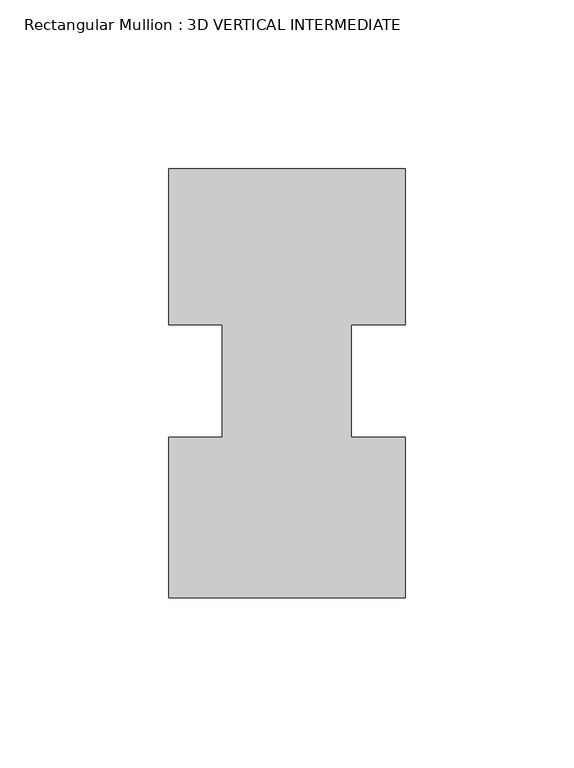
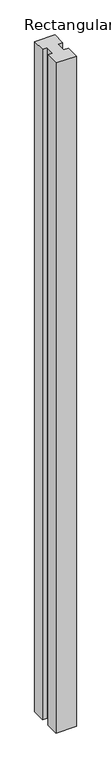
"""IFC4 building model written with IfcOpenShell, lengths in millimetres: member geometry, Rectangular Mullion : 3D VERTICAL INTERMEDIATE."""

from ifc_helpers import new_model, si_unit, frame, origin, place, context, project, spatial, polyline, outline, extrude, source, transform, mapped, element, save


def rectangular_mullion_3d_vertical_intermediate_6db6813a(model_context):
    return source(origin(), model_context, "Body", "SweptSolid", [
        extrude(outline(polyline([(35.0173164, 62.8615883), (35.0173164, 16.6786782), (19.1423164, 16.6786782), (19.1423164, -16.6786782), (35.0173157, -16.6786782), (35.0173157, -64.1384117), (-34.925, -64.1384117), (-34.925, -16.6786782), (-19.05, -16.6786782), (-19.05, 16.6786782), (-34.925, 16.6786782), (-34.925, 62.8615883), (35.0173164, 62.8615883)])), frame((0.0, 0.0, -2438.4), z_axis=(0.0, 0.0, 1.0), x_axis=(1.0, 0.0, 0.0)), (0.0, 0.0, 1.0), 2438.4),
    ])


if __name__ == "__main__":
    model = new_model("IFC4")
    model_context = context("Model", 3, world=origin())
    ifc_project = project(units=[si_unit("LENGTHUNIT", "METRE", prefix="MILLI")], contexts=[model_context])
    site = spatial("IfcSite", under=ifc_project)
    building = spatial("IfcBuilding", under=site)
    placement = place(None, origin())
    rectangular_mullion_3d_vertical_intermediate_shape = rectangular_mullion_3d_vertical_intermediate_6db6813a(model_context)
    element("IfcMember", 1, ObjectType="Rectangular Mullion : 3D VERTICAL INTERMEDIATE", at=placement, inside=building, context=model_context, shape_type="MappedRepresentation", body=[
        mapped(rectangular_mullion_3d_vertical_intermediate_shape, transform((0.0, 0.0, 0.0), x_axis=(1.0, 0.0, 0.0), y_axis=(0.0, 1.0, 0.0), z_axis=(0.0, 0.0, 1.0))),
    ])
    save(model, "model.ifc")
